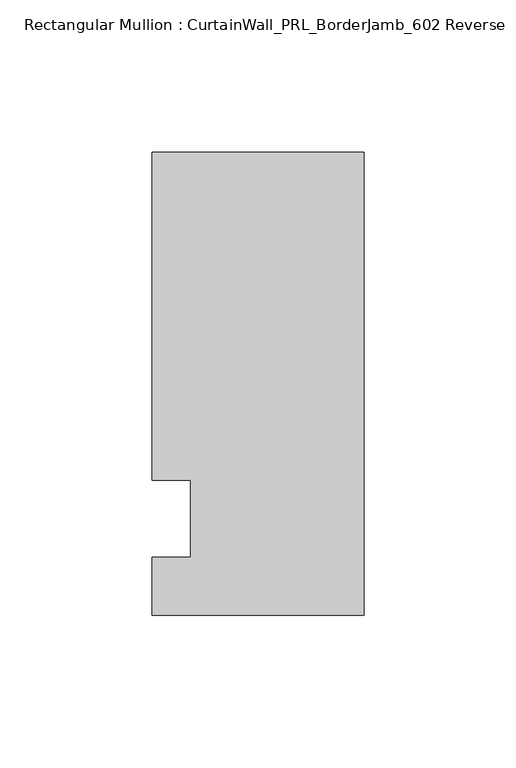
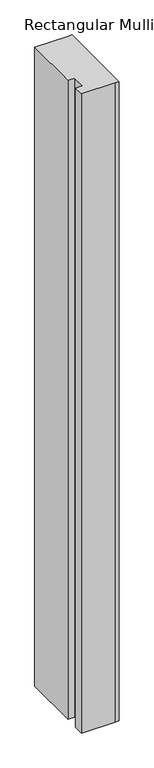
"""IFC4 building model written with IfcOpenShell, lengths in millimetres: member geometry, Rectangular Mullion : CurtainWall_PRL_BorderJamb_602 Reverse."""

import ifcopenshell
import ifcopenshell.guid

model = None  # the IFC model being written
_history = None  # IfcOwnerHistory: only IFC2X3 demands one
_inside = {}  # id of a spatial element -> (the spatial element, [elements in it])
_under = {}  # id of a project, library or spatial element -> (it, [spatial elements below it])
_declared = {}  # id of a project -> (the project, [libraries it declares])
_typed = {}  # id of a type object -> (the type object, [elements of that type])
_made_of = {}  # id of a material, layer set ... -> (it, [elements and type objects made of it])


def new_model(schema):
    """Start an empty IFC model of exactly this schema.

    Asked for "IFC4X3", IfcOpenShell would pick the latest addendum, in which some entities
    have other attributes; the version numbers below select the first issue.
    IFC2X3 requires an IfcOwnerHistory on every rooted entity: one is made here for all.
    """
    global model, _history
    if schema == "IFC4X3":
        model = ifcopenshell.file(schema_version=(4, 3, 0, 0))
    else:
        model = ifcopenshell.file(schema=schema)
    _inside.clear()
    _under.clear()
    _declared.clear()
    _typed.clear()
    _made_of.clear()
    _history = None
    if model.schema == "IFC2X3":
        org = make("IfcOrganization", Name="unknown")
        user = make(
            "IfcPersonAndOrganization",
            ThePerson=make("IfcPerson", FamilyName="unknown"),
            TheOrganization=org,
        )
        app = make(
            "IfcApplication",
            ApplicationDeveloper=org,
            Version="unknown",
            ApplicationFullName="unknown",
            ApplicationIdentifier="unknown",
        )
        _history = make(
            "IfcOwnerHistory",
            OwningUser=user,
            OwningApplication=app,
            ChangeAction="ADDED",
            CreationDate=0,
        )
    return model


def make(cls, **values):
    """One entity of the class cls with the attributes given. An attribute that is None is left unset."""
    return model.create_entity(
        cls, **{name: value for name, value in values.items() if value is not None}
    )


def rooted(cls, **values):
    """An entity with a GlobalId (a new one), such as an element, a storey or a relation."""
    return make(cls, GlobalId=ifcopenshell.guid.new(), OwnerHistory=_history, **values)


def si_unit(unit_type, name, prefix=None):
    """IfcSIUnit, for example si_unit("LENGTHUNIT", "METRE", prefix="MILLI")."""
    return make("IfcSIUnit", UnitType=unit_type, Prefix=prefix, Name=name)


def assignment(units):
    """IfcUnitAssignment: the units of a project."""
    return None if units is None else make("IfcUnitAssignment", Units=units)


def point(xyz):
    """IfcCartesianPoint."""
    return None if xyz is None else make("IfcCartesianPoint", Coordinates=xyz)


def direction(xyz):
    """IfcDirection."""
    return None if xyz is None else make("IfcDirection", DirectionRatios=xyz)


def frame(location, z_axis=None, x_axis=None):
    """IfcAxis2Placement3D, a coordinate frame: its origin and axes. An axis left out is left unset."""
    return make(
        "IfcAxis2Placement3D",
        Location=point(location),
        Axis=direction(z_axis),
        RefDirection=direction(x_axis),
    )


def origin():
    """The frame at (0, 0, 0) with its axes left unset."""
    return frame((0.0, 0.0, 0.0))


def place(relative_to, where):
    """IfcLocalPlacement: puts the frame where relative to a parent placement (None: the world)."""
    return make(
        "IfcLocalPlacement", PlacementRelTo=relative_to, RelativePlacement=where
    )


def context(
    kind, dimensions, precision=None, world=None, true_north=None, identifier=None
):
    """IfcGeometricRepresentationContext, for example the 3D "Model" context."""
    return make(
        "IfcGeometricRepresentationContext",
        ContextIdentifier=identifier,
        ContextType=kind,
        CoordinateSpaceDimension=dimensions,
        Precision=precision,
        WorldCoordinateSystem=world,
        TrueNorth=true_north,
    )


def project(units=None, contexts=None):
    """IfcProject with its units and contexts."""
    return rooted(
        "IfcProject",
        Name="project",
        RepresentationContexts=contexts,
        UnitsInContext=assignment(units),
    )


def spatial(cls, under=None, at=None, **own):
    """A site, building, storey or space (cls), placed at a placement, below another one or the project."""
    s = rooted(cls, ObjectPlacement=at, **own)
    if under is not None:
        _under.setdefault(under.id(), (under, []))[1].append(s)
    return s


def polyline(points):
    """IfcPolyline through the points."""
    return make("IfcPolyline", Points=[point(p) for p in points])


def outline(outer, holes=None, kind="AREA"):
    """IfcArbitraryClosedProfileDef: a profile drawn as a closed curve; with holes, ...WithVoids."""
    if holes is None:
        return make("IfcArbitraryClosedProfileDef", ProfileType=kind, OuterCurve=outer)
    return make(
        "IfcArbitraryProfileDefWithVoids",
        ProfileType=kind,
        OuterCurve=outer,
        InnerCurves=holes,
    )


def extrude(swept, where, along, depth):
    """IfcExtrudedAreaSolid: the profile swept, set in the frame where, extruded along a direction by depth."""
    return make(
        "IfcExtrudedAreaSolid",
        SweptArea=swept,
        Position=where,
        ExtrudedDirection=direction(along),
        Depth=depth,
    )


def shape(context_of_items, identifier, shape_type, items):
    """IfcShapeRepresentation: the items that make up one representation, for example the "Body"."""
    return make(
        "IfcShapeRepresentation",
        ContextOfItems=context_of_items,
        RepresentationIdentifier=identifier,
        RepresentationType=shape_type,
        Items=items,
    )


def source(mapping_origin, context_of_items, identifier, shape_type, items):
    """IfcRepresentationMap: a shape defined once, which mapped items show again and again."""
    return make(
        "IfcRepresentationMap",
        MappingOrigin=mapping_origin,
        MappedRepresentation=shape(context_of_items, identifier, shape_type, items),
    )


def transform(
    local_origin,
    x_axis=None,
    y_axis=None,
    z_axis=None,
    scale=None,
    scale2=None,
    scale3=None,
    uniform=True,
):
    """IfcCartesianTransformationOperator3D, or its non-uniform kind. x_axis, y_axis, z_axis: its Axis1, 2, 3."""
    if uniform:
        return make(
            "IfcCartesianTransformationOperator3D",
            Axis1=direction(x_axis),
            Axis2=direction(y_axis),
            LocalOrigin=point(local_origin),
            Scale=scale,
            Axis3=direction(z_axis),
        )
    return make(
        "IfcCartesianTransformationOperator3DnonUniform",
        Axis1=direction(x_axis),
        Axis2=direction(y_axis),
        LocalOrigin=point(local_origin),
        Scale=scale,
        Axis3=direction(z_axis),
        Scale2=scale2,
        Scale3=scale3,
    )


def mapped(mapping_source, mapping_target):
    """IfcMappedItem: shows the shape of a source again, moved by a transform."""
    return make(
        "IfcMappedItem", MappingSource=mapping_source, MappingTarget=mapping_target
    )


def made_of(thing, what):
    """Note that an element or type object is made of a material, layer set ...; save() writes the relation."""
    if what is not None:
        _made_of.setdefault(what.id(), (what, []))[1].append(thing)
    return thing


def element(
    cls,
    number,
    at=None,
    inside=None,
    cuts=None,
    type_object=None,
    material=None,
    context=None,
    identifier="Body",
    shape_type=None,
    held_by="IfcProductDefinitionShape",
    body=None,
    shapes=None,
    **own,
):
    """One element of the class cls, such as IfcWall. Its Tag is "e" and its number.

    at: its placement. inside: the storey or other place that contains it. cuts: it is an
    opening in that element (IfcRelVoidsElement). A single representation is given by context,
    identifier, shape_type and body (its items); several are given by shapes. held_by: the class
    of the entity that holds the representations. save() writes the other relations.
    """
    e = rooted(cls, Tag="e%d" % number, ObjectPlacement=at, **own)
    if body is not None:
        shapes = [shape(context, identifier, shape_type, body)]
    if shapes is not None:
        e.Representation = make(held_by, Representations=shapes)
    if inside is not None:
        _inside.setdefault(inside.id(), (inside, []))[1].append(e)
    if cuts is not None:
        rooted(
            "IfcRelVoidsElement", RelatingBuildingElement=cuts, RelatedOpeningElement=e
        )
    if type_object is not None:
        _typed.setdefault(type_object.id(), (type_object, []))[1].append(e)
    return made_of(e, material)


def aggregate(whole, parts):
    """IfcRelAggregates: a whole, such as a stair, and the parts it consists of."""
    return rooted("IfcRelAggregates", RelatingObject=whole, RelatedObjects=parts)


def save(model, path):
    """Write the relations noted so far, then the file.

    IfcRelAggregates (storeys below a building ...), IfcRelContainedInSpatialStructure (elements
    in a storey), IfcRelDefinesByType, IfcRelAssociatesMaterial and IfcRelDeclares: one each for
    every whole, place, type object, material and project.
    """
    for whole, parts in _under.values():
        aggregate(whole, parts)
    for where, things in _inside.values():
        rooted(
            "IfcRelContainedInSpatialStructure",
            RelatedElements=things,
            RelatingStructure=where,
        )
    for kind, things in _typed.values():
        rooted("IfcRelDefinesByType", RelatedObjects=things, RelatingType=kind)
    for what, things in _made_of.values():
        rooted("IfcRelAssociatesMaterial", RelatedObjects=things, RelatingMaterial=what)
    for by, libraries in _declared.values():
        rooted("IfcRelDeclares", RelatingContext=by, RelatedDefinitions=libraries)
    model.write(path)


def rectangular_mullion_curtainwall_prl_borderjamb_602_reverse_6019a1ea(model_context):
    return source(origin(), model_context, "Body", "SweptSolid", [
        extrude(outline(polyline([(-57.15, 12.7), (-69.85, 12.7), (-69.85, 120.65), (-6.35, 120.65), (0.0, 120.65), (0.0, -31.75), (-7.3958824, -31.75), (-69.85, -31.75), (-69.85, -12.7), (-57.15, -12.7), (-57.15, 12.7)])), frame((0.0, 0.0, -1266.6805491), z_axis=(0.0, 0.0, 1.0), x_axis=(1.0, 0.0, 0.0)), (0.0, 0.0, 1.0), 1266.6805491),
    ])


if __name__ == "__main__":
    model = new_model("IFC4")
    model_context = context("Model", 3, world=origin())
    ifc_project = project(units=[si_unit("LENGTHUNIT", "METRE", prefix="MILLI")], contexts=[model_context])
    site = spatial("IfcSite", under=ifc_project)
    building = spatial("IfcBuilding", under=site)
    placement = place(None, origin())
    rectangular_mullion_curtainwall_prl_borderjamb_602_reverse_shape = rectangular_mullion_curtainwall_prl_borderjamb_602_reverse_6019a1ea(model_context)
    element("IfcMember", 1, ObjectType="Rectangular Mullion : CurtainWall_PRL_BorderJamb_602 Reverse", at=placement, inside=building, context=model_context, shape_type="MappedRepresentation", body=[
        mapped(rectangular_mullion_curtainwall_prl_borderjamb_602_reverse_shape, transform((0.0, 0.0, 0.0), x_axis=(1.0, 0.0, 0.0), y_axis=(0.0, 1.0, 0.0), z_axis=(0.0, 0.0, 1.0))),
    ])
    save(model, "model.ifc")
